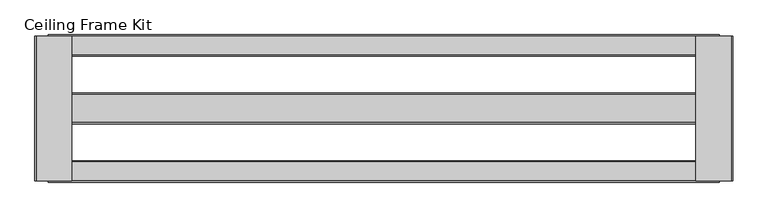
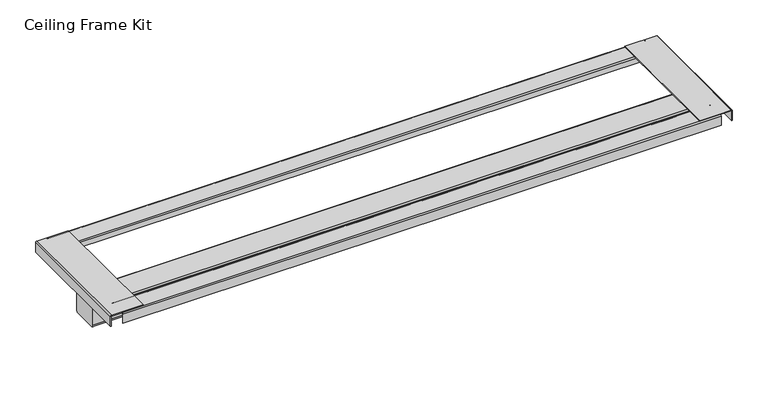
"""IFC4 building model written with IfcOpenShell, lengths in millimetres: proxy geometry, Ceiling Frame Kit."""

from ifc_helpers import new_model, si_unit, point, frame, frame_2d, origin, place, context, project, spatial, polyline, circle_curve, trimmed, segment, composite_curve, outline, extrude, source, transform, mapped, element, save


def ceiling_frame_kit_f6abe464(model_context):
    return source(origin(), model_context, "Body", "SweptSolid", [
        extrude(outline(composite_curve([segment(trimmed(circle_curve(frame_2d((250.3710963, 3056.9111588)), 1.0456412), [point((251.4167375, 3056.9111588))], [point((250.3710963, 3057.9568))], True, "CARTESIAN"), True, "CONTINUOUS"), segment(polyline([(250.3710963, 3057.9568), (216.9675311, 3057.9568)]), True, "CONTINUOUS"), segment(trimmed(circle_curve(frame_2d((216.9675311, 3057.1254064)), 0.8313936), [point((216.9675311, 3057.9568))], [point((216.1361375, 3057.1254064))], True, "CARTESIAN"), True, "CONTINUOUS"), segment(polyline([(216.1361375, 3057.1254064), (216.1361375, 3046.476), (214.9169375, 3046.476), (214.9169375, 3056.9623653)]), True, "CONTINUOUS"), segment(trimmed(circle_curve(frame_2d((217.1305722, 3056.9623653)), 2.2136347), [point((214.9169375, 3056.9623653))], [point((217.1305722, 3059.176))], False, "CARTESIAN"), True, "CONTINUOUS"), segment(polyline([(217.1305722, 3059.176), (250.5056994, 3059.176)]), True, "CONTINUOUS"), segment(trimmed(circle_curve(frame_2d((250.5056994, 3057.0457619)), 2.1302381), [point((250.5056994, 3059.176))], [point((252.6359375, 3057.0457619))], False, "CARTESIAN"), True, "CONTINUOUS"), segment(polyline([(252.6359375, 3057.0457619), (252.6359375, 3038.2837), (251.4167375, 3038.2837), (251.4167375, 3056.9111588)]), True, "CONTINUOUS")], self_intersect=False)), frame((399.8864478, 0.0, 0.0), z_axis=(1.0, 0.0, 0.0), x_axis=(0.0, 1.0, 0.0)), (0.0, 0.0, 1.0), 1183.9423822),
        extrude(outline(composite_curve([segment(polyline([(28.7857375, 3046.476), (28.7857375, 3056.939757)]), True, "CONTINUOUS"), segment(trimmed(circle_curve(frame_2d((27.7686945, 3056.939757)), 1.017043), [point((28.7857375, 3056.939757))], [point((27.7686945, 3057.9568))], True, "CARTESIAN"), True, "CONTINUOUS"), segment(polyline([(27.7686945, 3057.9568), (-5.6179457, 3057.9568)]), True, "CONTINUOUS"), segment(trimmed(circle_curve(frame_2d((-5.6179457, 3057.0798832)), 0.8769168), [point((-5.6179457, 3057.9568))], [point((-6.4948625, 3057.0798832))], True, "CARTESIAN"), True, "CONTINUOUS"), segment(polyline([(-6.4948625, 3057.0798832), (-6.4948625, 3038.2837), (-7.7140625, 3038.2837), (-7.7140625, 3057.0872847)]), True, "CONTINUOUS"), segment(trimmed(circle_curve(frame_2d((-5.6253472, 3057.0872847)), 2.0887153), [point((-7.7140625, 3057.0872847))], [point((-5.6253472, 3059.176))], False, "CARTESIAN"), True, "CONTINUOUS"), segment(polyline([(-5.6253472, 3059.176), (27.8200722, 3059.176)]), True, "CONTINUOUS"), segment(trimmed(circle_curve(frame_2d((27.8200722, 3056.9911347)), 2.1848653), [point((27.8200722, 3059.176))], [point((30.0049375, 3056.9911347))], False, "CARTESIAN"), True, "CONTINUOUS"), segment(polyline([(30.0049375, 3056.9911347), (30.0049375, 3046.476), (28.7857375, 3046.476)]), True, "CONTINUOUS")], self_intersect=False)), frame((399.8864478, 0.0, 0.0), z_axis=(1.0, 0.0, 0.0), x_axis=(0.0, 1.0, 0.0)), (0.0, 0.0, 1.0), 1183.9423822),
        extrude(outline(composite_curve([segment(trimmed(circle_curve(frame_2d((145.976614, 2970.0470435)), 3.9112435), [point((149.8878575, 2970.0470435))], [point((145.976614, 2966.1358))], False, "CARTESIAN"), True, "CONTINUOUS"), segment(polyline([(145.976614, 2966.1358), (100.2545068, 2966.1358)]), True, "CONTINUOUS"), segment(trimmed(circle_curve(frame_2d((100.2545068, 2971.3562893)), 5.2204893), [point((100.2545068, 2966.1358))], [point((95.0340175, 2971.3562893))], False, "CARTESIAN"), True, "CONTINUOUS"), segment(polyline([(95.0340175, 2971.3562893), (95.0340175, 3007.4598892)]), True, "CONTINUOUS"), segment(trimmed(circle_curve(frame_2d((97.4741283, 3007.4598892)), 2.4401108), [point((95.0340175, 3007.4598892))], [point((97.4741283, 3009.9))], False, "CARTESIAN"), True, "CONTINUOUS"), segment(polyline([(97.4741283, 3009.9), (147.3816271, 3009.9)]), True, "CONTINUOUS"), segment(trimmed(circle_curve(frame_2d((147.3816271, 3007.3937696)), 2.5062304), [point((147.3816271, 3009.9))], [point((149.8878575, 3007.3937696))], False, "CARTESIAN"), True, "CONTINUOUS"), segment(polyline([(149.8878575, 3007.3937696), (149.8878575, 2970.0470435)]), True, "CONTINUOUS")], self_intersect=False)), frame((399.8864478, 0.0, 0.0), z_axis=(1.0, 0.0, 0.0), x_axis=(0.0, 1.0, 0.0)), (0.0, 0.0, 1.0), 1183.9423822),
        extrude(outline(composite_curve([segment(trimmed(circle_curve(frame_2d((3058.0375326, 378.7479063)), 1.0749674), [point((3058.0375326, 377.6729389))], [point((3059.1125, 378.7479063))], True, "CARTESIAN"), True, "CONTINUOUS"), segment(polyline([(3059.1125, 378.7479063), (3059.1125, 441.1729389), (3060.7, 441.1729389), (3060.7, 378.6916893)]), True, "CONTINUOUS"), segment(trimmed(circle_curve(frame_2d((3058.0937496, 378.6916893)), 2.6062504), [point((3060.7, 378.6916893))], [point((3058.0937496, 376.0854389))], False, "CARTESIAN"), True, "CONTINUOUS"), segment(polyline([(3058.0937496, 376.0854389), (3038.475, 376.0854389), (3038.475, 377.6729389), (3058.0375326, 377.6729389)]), True, "CONTINUOUS")], self_intersect=False)), frame((0.0, -5.5390625, 0.0), z_axis=(0.0, 1.0, 0.0), x_axis=(0.0, 0.0, 1.0)), (0.0, 0.0, 1.0), 256.0000001),
        extrude(outline(composite_curve([segment(trimmed(circle_curve(frame_2d((3058.3509434, 1605.2807823)), 0.7615566), [point((3059.1125, 1605.2807823))], [point((3058.3509434, 1606.0423389))], True, "CARTESIAN"), True, "CONTINUOUS"), segment(polyline([(3058.3509434, 1606.0423389), (3038.475, 1606.0423389), (3038.475, 1607.6298389), (3058.4519064, 1607.6298389)]), True, "CONTINUOUS"), segment(trimmed(circle_curve(frame_2d((3058.4519064, 1605.3817453)), 2.2480936), [point((3058.4519064, 1607.6298389))], [point((3060.7, 1605.3817453))], False, "CARTESIAN"), True, "CONTINUOUS"), segment(polyline([(3060.7, 1605.3817453), (3060.7, 1542.5423389), (3059.1125, 1542.5423389), (3059.1125, 1605.2807823)]), True, "CONTINUOUS")], self_intersect=False)), frame((0.0, -5.5390625, 0.0), z_axis=(0.0, 1.0, 0.0), x_axis=(0.0, 0.0, 1.0)), (0.0, 0.0, 1.0), 256.0000001),
    ])


if __name__ == "__main__":
    model = new_model("IFC4")
    model_context = context("Model", 3, world=origin())
    ifc_project = project(units=[si_unit("LENGTHUNIT", "METRE", prefix="MILLI")], contexts=[model_context])
    site = spatial("IfcSite", under=ifc_project)
    building = spatial("IfcBuilding", under=site)
    placement = place(None, origin())
    ceiling_frame_kit_shape = ceiling_frame_kit_f6abe464(model_context)
    element("IfcBuildingElementProxy", 1, Name="Ceiling Frame Kit", ObjectType="Ceiling Frame Kit", at=placement, inside=building, context=model_context, shape_type="MappedRepresentation", body=[
        mapped(ceiling_frame_kit_shape, transform((0.0, 0.0, 0.0), x_axis=(1.0, 0.0, 0.0), y_axis=(0.0, 1.0, 0.0), z_axis=(0.0, 0.0, 1.0))),
    ])
    save(model, "model.ifc")
